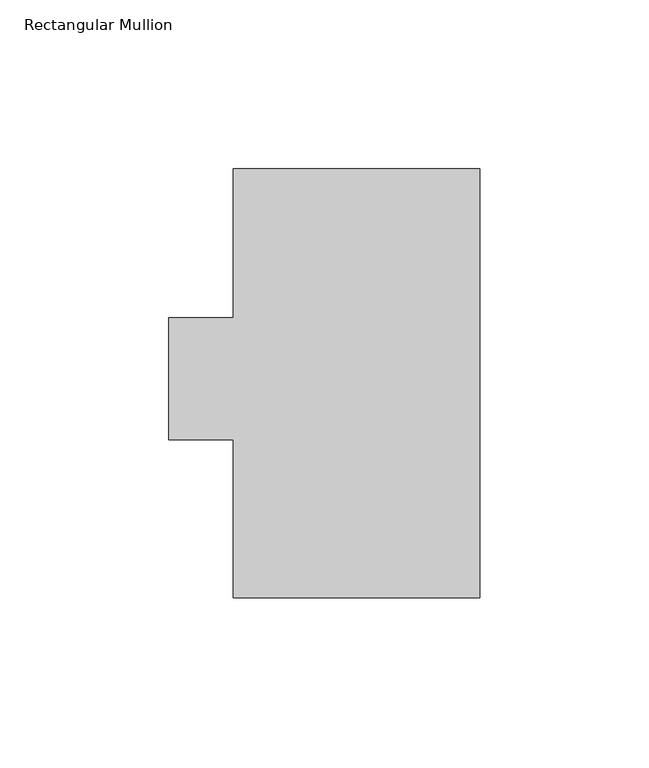
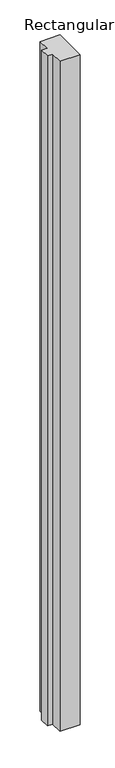
"""IFC4 building model written with IfcOpenShell, lengths in millimetres: member geometry, Rectangular Mullion."""

from ifc_helpers import new_model, si_unit, frame, origin, place, context, project, spatial, polyline, outline, extrude, source, transform, mapped, element, save


def rectangular_mullion_af247092(model_context):
    return source(origin(), model_context, "Body", "SweptSolid", [
        extrude(outline(polyline([(-73.025, 127.00635), (0.0, 127.00635), (0.0, 0.00635), (-73.025, 0.00635), (-73.025, 46.8376), (-92.0755426, 46.8376), (-92.0755426, 82.9313681), (-73.025, 82.9313681), (-73.025, 127.00635)])), frame((0.0, 0.0, -2590.8), z_axis=(0.0, 0.0, 1.0), x_axis=(1.0, 0.0, 0.0)), (0.0, 0.0, 1.0), 2590.8),
    ])


if __name__ == "__main__":
    model = new_model("IFC4")
    model_context = context("Model", 3, world=origin())
    ifc_project = project(units=[si_unit("LENGTHUNIT", "METRE", prefix="MILLI")], contexts=[model_context])
    site = spatial("IfcSite", under=ifc_project)
    building = spatial("IfcBuilding", under=site)
    placement = place(None, origin())
    rectangular_mullion_shape = rectangular_mullion_af247092(model_context)
    element("IfcMember", 1, ObjectType="Rectangular Mullion", at=placement, inside=building, context=model_context, shape_type="MappedRepresentation", body=[
        mapped(rectangular_mullion_shape, transform((0.0, 0.0, 0.0), x_axis=(1.0, 0.0, 0.0), y_axis=(0.0, 1.0, 0.0), z_axis=(0.0, 0.0, 1.0))),
    ])
    save(model, "model.ifc")
